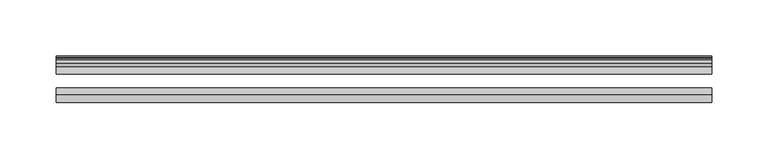
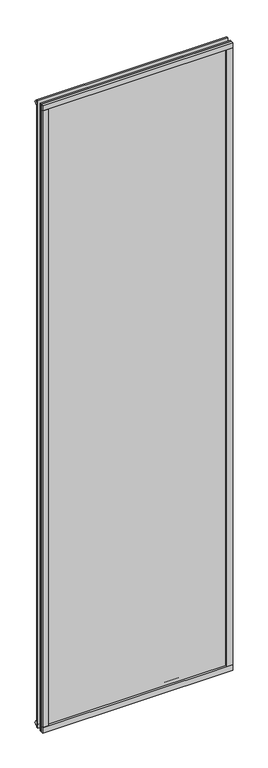
"""IFC4 building model written with IfcOpenShell, lengths in millimetres: plate geometry."""

from ifc_helpers import new_model, si_unit, point, frame, frame_2d, origin, origin_with_axes, place, context, project, spatial, polyline, circle_curve, trimmed, segment, composite_curve, outline, extrude, source, transform, mapped, element, save


def plate_fc370a67(model_context):
    return source(origin(), model_context, "Body", "SweptSolid", [
        extrude(outline(polyline([(290.5125, -44.4062658), (290.5125, -50.7678158), (-290.5125, -50.7678158), (-290.5125, -44.4062658), (290.5125, -44.4062658)])), frame((0.0, 0.0, -17.4370998), z_axis=(0.0, 0.0, 1.0), x_axis=(1.0, 0.0, 0.0)), (0.0, 0.0, 1.0), 17.4752),
        extrude(outline(polyline([(-16.311566, -12.4459992), (-19.5373643, -9.7597211), (-19.5373643, 1.1616223), (-13.365166, -0.5079992), (-13.365166, -5.7149992), (-10.9849691, -6.0959992), (-11.4449023, -4.6804701), (-10.6436881, -4.6804701), (-9.936166, -6.8579992), (-10.6436881, -9.0355282), (-11.4449023, -9.0355282), (-10.9849691, -7.6199992), (-13.365166, -8.0009992), (-13.365166, -12.4459992), (-16.311566, -12.4459992)])), frame((-290.5125, 0.0, 0.0), z_axis=(1.0, 0.0, 0.0), x_axis=(0.0, 1.0, 0.0)), (0.0, 0.0, 1.0), 581.025),
        extrude(outline(polyline([(-16.4107848, 2006.345999), (-13.4643848, 2006.345999), (-13.4643848, 2001.900999), (-11.0841878, 2001.519999), (-11.5441211, 2002.9355281), (-10.7429069, 2002.9355281), (-10.0353848, 2000.757999), (-10.7429069, 1998.58047), (-11.5441211, 1998.58047), (-11.0841878, 1999.995999), (-13.4643848, 1999.614999), (-13.4643848, 1994.407999), (-19.636583, 1992.7383775), (-19.636583, 2003.659721), (-16.4107848, 2006.345999)])), frame((-290.5125, 0.0, 0.0), z_axis=(1.0, 0.0, 0.0), x_axis=(0.0, 1.0, 0.0)), (0.0, 0.0, 1.0), 581.025),
        extrude(outline(composite_curve([segment(trimmed(circle_curve(frame_2d((-47.7123125, 2023.6741531)), 12.7144578), [point((-50.8873125, 2011.3624997))], [point((-44.5373125, 2011.3624997))], True, "CARTESIAN"), True, "CONTINUOUS"), segment(polyline([(-44.5373125, 2011.3624997), (-44.5373125, 1993.8999999), (-50.8873125, 1993.8999999), (-50.8873125, 2011.3624997)]), True, "CONTINUOUS")], self_intersect=False)), frame((-290.5125, 0.0, 0.0), z_axis=(1.0, 0.0, 0.0), x_axis=(0.0, 1.0, 0.0)), (0.0, 0.0, 1.0), 581.025),
        extrude(outline(polyline([(-271.8883777, -19.5373643), (-282.8097211, -19.5373643), (-285.4959992, -16.311566), (-285.4959992, -13.365166), (-281.0509992, -13.365166), (-280.6699992, -10.9849691), (-282.0855282, -11.4449023), (-282.0855282, -10.6436881), (-279.9079992, -9.936166), (-277.7304701, -10.6436881), (-277.7304701, -11.4449023), (-279.1459992, -10.9849691), (-278.7649992, -13.365166), (-273.5579992, -13.365166), (-271.8883777, -19.5373643)])), origin_with_axes(), (0.0, 0.0, 1.0), 1993.8999999),
        extrude(outline(polyline([(-273.0373, -44.4293643), (-273.0373, -50.7793643), (-290.5125, -50.7793643), (-290.5125, -44.4293643), (-273.0373, -44.4293643)])), origin_with_axes(), (0.0, 0.0, 1.0), 1993.8999999),
        extrude(outline(polyline([(271.9010779, -19.5373643), (273.5706994, -13.365166), (278.7776994, -13.365166), (279.1586994, -10.9849691), (277.7431703, -11.4449023), (277.7431703, -10.6436881), (279.9206994, -9.936166), (282.0982284, -10.6436881), (282.0982284, -11.4449023), (280.6826994, -10.9849691), (281.0636994, -13.365166), (285.5086994, -13.365166), (285.5086994, -16.311566), (282.8224213, -19.5373643), (271.9010779, -19.5373643)])), origin_with_axes(), (0.0, 0.0, 1.0), 1993.8999999),
        extrude(outline(polyline([(290.5252002, -50.7793643), (273.0499998, -50.7793643), (273.0499998, -44.4293643), (290.5252002, -44.4293643), (290.5252002, -50.7793643)])), origin_with_axes(), (0.0, 0.0, 1.0), 1993.8999999),
        extrude(outline(polyline([(290.5125, -19.5373643), (290.5125, -25.8250158), (-290.5125, -25.8250158), (-290.5125, -19.5373643), (290.5125, -19.5373643)])), frame((0.0, 0.0, -17.4497998), z_axis=(0.0, 0.0, 1.0), x_axis=(1.0, 0.0, 0.0)), (0.0, 0.0, 1.0), 2028.8122997),
        extrude(outline(polyline([(-290.5125, -44.4293643), (-290.5125, -38.1186142), (290.5125, -38.1186142), (290.5125, -44.4293643), (-290.5125, -44.4293643)])), frame((0.0, 0.0, -17.4497998), z_axis=(0.0, 0.0, 1.0), x_axis=(1.0, 0.0, 0.0)), (0.0, 0.0, 1.0), 2028.8122997),
    ])


if __name__ == "__main__":
    model = new_model("IFC4")
    model_context = context("Model", 3, world=origin())
    ifc_project = project(units=[si_unit("LENGTHUNIT", "METRE", prefix="MILLI")], contexts=[model_context])
    site = spatial("IfcSite", under=ifc_project)
    building = spatial("IfcBuilding", under=site)
    placement = place(None, origin())
    plate_shape = plate_fc370a67(model_context)
    element("IfcPlate", 1, at=placement, inside=building, context=model_context, shape_type="MappedRepresentation", body=[
        mapped(plate_shape, transform((0.0, 0.0, 0.0), x_axis=(1.0, 0.0, 0.0), y_axis=(0.0, 1.0, 0.0), z_axis=(0.0, 0.0, 1.0))),
    ])
    save(model, "model.ifc")
